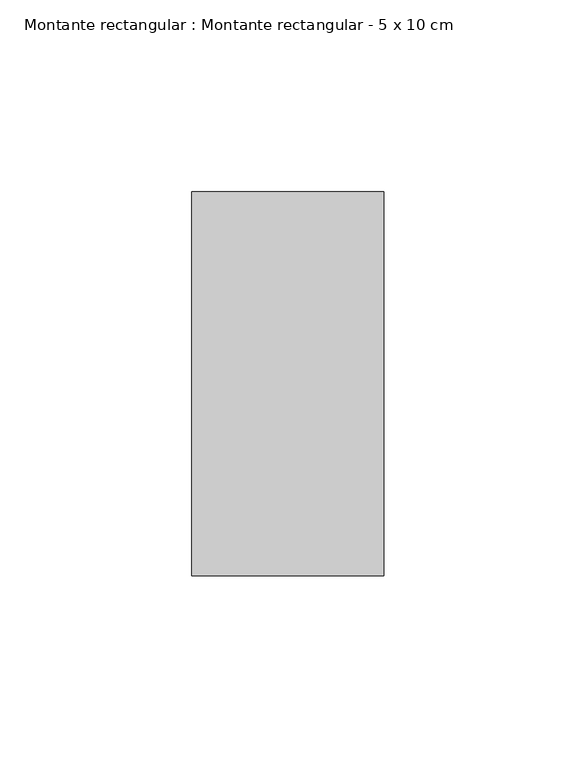
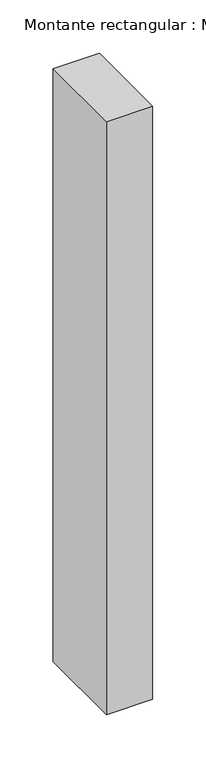
"""IFC4 building model written with IfcOpenShell, lengths in millimetres: member geometry, Montante rectangular : Montante rectangular - 5 x 10 cm."""

from ifc_helpers import new_model, si_unit, frame, origin, place, context, project, spatial, polyline, outline, extrude, source, transform, mapped, element, save


def montante_rectangular_montante_rectangular_5_x_10_cm_c2252720(model_context):
    return source(origin(), model_context, "Body", "SweptSolid", [
        extrude(outline(polyline([(-50.0, 50.0), (0.0, 50.0), (0.0, -50.0), (-50.0, -50.0), (-50.0, 50.0)])), frame((0.0, 0.0, -678.7378502), z_axis=(0.0, 0.0, 1.0), x_axis=(1.0, 0.0, 0.0)), (0.0, 0.0, 1.0), 678.7378502),
    ])


if __name__ == "__main__":
    model = new_model("IFC4")
    model_context = context("Model", 3, world=origin())
    ifc_project = project(units=[si_unit("LENGTHUNIT", "METRE", prefix="MILLI")], contexts=[model_context])
    site = spatial("IfcSite", under=ifc_project)
    building = spatial("IfcBuilding", under=site)
    placement = place(None, origin())
    montante_rectangular_montante_rectangular_5_x_10_cm_shape = montante_rectangular_montante_rectangular_5_x_10_cm_c2252720(model_context)
    element("IfcMember", 1, ObjectType="Montante rectangular : Montante rectangular - 5 x 10 cm", at=placement, inside=building, context=model_context, shape_type="MappedRepresentation", body=[
        mapped(montante_rectangular_montante_rectangular_5_x_10_cm_shape, transform((0.0, 0.0, 0.0), x_axis=(1.0, 0.0, 0.0), y_axis=(0.0, 1.0, 0.0), z_axis=(0.0, 0.0, 1.0))),
    ])
    save(model, "model.ifc")
